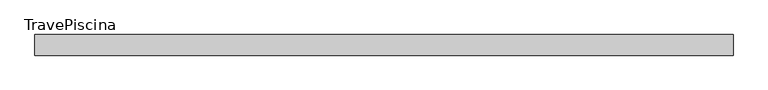
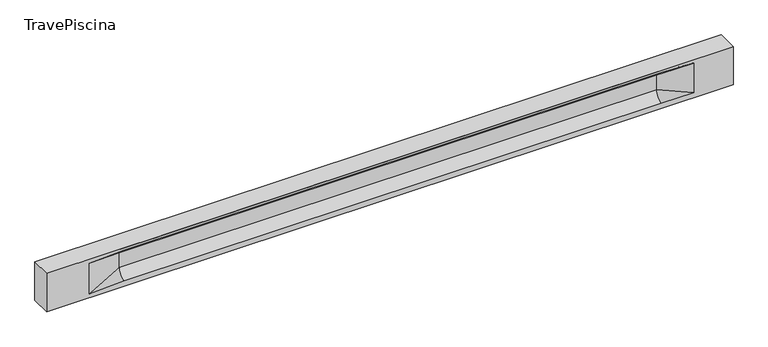
"""IFC4 building model written with IfcOpenShell, lengths in millimetres: beam geometry, TravePiscina."""

from ifc_helpers import new_model, si_unit, frame, origin, place, context, project, spatial, polyline, circle_curve, source, transform, mapped, element, save
from ifc_brep_helpers import plane_surface, revolved_surface, spline_surface, advanced_brep


def travepiscina_2c1209f1(model_context):
    return source(origin(), model_context, "Body", "AdvancedBrep", [
        advanced_brep(
        [(8464.0, -250.0, 500.0), (8464.0, -250.0, -500.0), (8464.0, 250.0, -500.0), (8464.0, 250.0, 500.0), (-8464.0, -250.0, 500.0), (-8464.0, -250.0, -500.0), (7489.0, -250.0, -362.0), (6689.0, -250.0, -360.0), (-6564.0, -250.0, -360.0), (-7414.0, -250.0, -400.0), (-7414.0, -250.0, 400.0), (-6564.0, -250.0, 435.0), (6689.0, -250.0, 435.0), (7489.0, -250.0, 400.0), (-8464.0, 250.0, -500.0), (-8464.0, 250.0, 500.0), (7489.0, 250.0, 400.0), (6689.0, 250.0, 435.0), (-6564.0, 250.0, 435.0), (-7414.0, 250.0, 400.0), (-7414.0, 250.0, -400.0), (-6564.0, 250.0, -360.0), (6689.0, 250.0, -360.0), (7489.0, 250.0, -362.0), (6689.0, 155.0, 405.0), (-6564.0, 155.0, 405.0), (-6564.0, -60.0, 262.777021), (6689.0, -60.0, 262.777021), (6689.0, -155.0, 405.0), (-6564.0, -155.0, 405.0), (-6564.0, 60.0, 262.777021), (6689.0, 60.0, 262.777021), (6689.0, 60.0, -120.0), (-6564.0, 60.0, -120.0), (-6564.0, -60.0, -120.0), (6689.0, -60.0, -120.0)],
        [
            (0, 1),
            (1, 2),
            (2, 3),
            (3, 0),
            (0, 4),
            (4, 5),
            (5, 1),
            (6, 7),
            (7, 8),
            (8, 9),
            (9, 10),
            (10, 11),
            (11, 12),
            (12, 13),
            (13, 6),
            (5, 14),
            (14, 2),
            (14, 15),
            (15, 3),
            (16, 17),
            (17, 18),
            (18, 19),
            (19, 20),
            (20, 21),
            (21, 22),
            (22, 23),
            (23, 16),
            (15, 4),
            (17, 24),
            (24, 25),
            (25, 18),
            (26, 27),
            (27, 28, circle_curve(frame((6689.0, -213.9598725, 262.777021), z_axis=(1.0, 0.0, 0.0), x_axis=(0.0, 1.0, 0.0)), 153.9598725)),
            (28, 29),
            (29, 26, circle_curve(frame((-6564.0, -213.9598725, 262.777021), z_axis=(-1.0, 0.0, 0.0), x_axis=(0.0, 1.0, 0.0)), 153.9598725)),
            (30, 31),
            (31, 32),
            (32, 33),
            (33, 30),
            (28, 12),
            (11, 29),
            (34, 35),
            (35, 27),
            (26, 34),
            (25, 19),
            (22, 32, circle_curve(frame((6689.0, 306.5789474, -120.0), z_axis=(-1.0, 0.0, 0.0), x_axis=(0.0, 1.0, 0.0)), 246.5789474)),
            (32, 23),
            (10, 29),
            (10, 26),
            (13, 28),
            (27, 13),
            (30, 19),
            (25, 30, circle_curve(frame((-6564.0, 213.9598725, 262.777021), z_axis=(1.0, 0.0, 0.0), x_axis=(0.0, 1.0, 0.0)), 153.9598725)),
            (9, 34),
            (8, 34, circle_curve(frame((-6564.0, -306.5789474, -120.0), z_axis=(1.0, 0.0, 0.0), x_axis=(0.0, 1.0, 0.0)), 246.5789474)),
            (20, 33),
            (33, 21, circle_curve(frame((-6564.0, 306.5789474, -120.0), z_axis=(1.0, 0.0, 0.0), x_axis=(0.0, 1.0, 0.0)), 246.5789474)),
            (35, 6),
            (35, 7, circle_curve(frame((6689.0, -306.5789474, -120.0), z_axis=(-1.0, 0.0, 0.0), x_axis=(0.0, 1.0, 0.0)), 246.5789474)),
            (31, 16),
            (31, 24, circle_curve(frame((6689.0, 213.9598725, 262.777021), z_axis=(-1.0, 0.0, 0.0), x_axis=(0.0, 1.0, 0.0)), 153.9598725)),
            (24, 16),
        ],
        [
            plane_surface(frame((8464.0, 0.0, 0.0), z_axis=(1.0, 0.0, 0.0), x_axis=(0.0, 0.0, 1.0))),
            plane_surface(frame((8464.0, -250.0, 500.0), z_axis=(0.0, -1.0, 0.0), x_axis=(-1.0, 0.0, 0.0))),
            plane_surface(frame((8464.0, -250.0, -500.0), z_axis=(0.0, 0.0, -1.0), x_axis=(-1.0, 0.0, 0.0))),
            plane_surface(frame((8464.0, 250.0, -500.0), z_axis=(0.0, 1.0, 0.0), x_axis=(-1.0, 0.0, 0.0))),
            plane_surface(frame((8464.0, 250.0, 500.0), z_axis=(0.0, 0.0, 1.0), x_axis=(-1.0, 0.0, 0.0))),
            plane_surface(frame((-6564.0, 250.0, 435.0), z_axis=(0.0, 0.30113136793710954, -0.9535826651341378), x_axis=(1.0, 0.0, 0.0))),
            plane_surface(frame((-8464.0, 0.0, 0.0), z_axis=(-1.0, 0.0, 0.0), x_axis=(0.0, 0.0, 1.0))),
            revolved_surface(polyline([(6689.0, -60.0, 262.777021), (-6564.0, -60.0, 262.777021)]), (-6564.0, -213.9598725, 262.777021), (1.0, 0.0, 0.0)),
            plane_surface(frame((-6564.0, 60.0, 262.777021), z_axis=(0.0, 1.0, 0.0), x_axis=(1.0, 0.0, 0.0))),
            plane_surface(frame((-6564.0, -155.0, 405.0), z_axis=(0.0, -0.30113136793710693, -0.9535826651341387), x_axis=(1.0, 0.0, 0.0))),
            plane_surface(frame((-6564.0, -60.0, -120.0), z_axis=(0.0, -1.0, 0.0), x_axis=(1.0, 0.0, 0.0))),
            plane_surface(frame((-7414.0, 250.0, 400.0), z_axis=(0.03923493491469425, 0.30089950084952793, -0.9528484193567961), x_axis=(0.0, 0.9535826651341378, 0.30113136793710954))),
            spline_surface(2, 1, [[(6689.0, 250.0, -360.0), (7489.0, 250.0, -362.0)], [(6689.0, 60.00000002887427, -315.20833329480604), (7489.0, 250.0, -362.0)], [(6689.0, 60.0, -120.0), (7489.0, 250.0, -362.0)]], [3, 3], [2, 2], [0.0, 1.0], [0.0, 1.0], weights=[[1.0, 1.0], [0.7840458245391329, 0.7840458245391329], [1.0, 1.0]]),
            plane_surface(frame((-7414.0, -250.0, 400.0), z_axis=(0.03923493491469428, -0.3008995008495253, -0.952848419356797), x_axis=(0.0, 0.9535826651341387, -0.30113136793710693))),
            spline_surface(2, 1, [[(-7414.0, -250.0, 400.0), (-6564.0, -155.0, 405.0)], [(-7414.0, -250.0, 400.0), (-6564.0, -60.00000008030692, 365.6168572114734)], [(-7414.0, -250.0, 400.0), (-6564.0, -60.0, 262.777021)]], [3, 3], [2, 2], [0.0, 1.0], [0.0, 1.0], weights=[[1.0, 1.0], [0.8315515924557569, 0.8315515924557569], [1.0, 1.0]]),
            spline_surface(2, 1, [[(6689.0, -155.0, 405.0), (7489.0, -250.0, 400.0)], [(6689.0, -60.00000008030692, 365.6168572114734), (7489.0, -250.0, 400.0)], [(6689.0, -60.0, 262.777021), (7489.0, -250.0, 400.0)]], [3, 3], [2, 2], [0.0, 1.0], [0.0, 1.0], weights=[[1.0, 1.0], [0.8315515924557569, 0.8315515924557569], [1.0, 1.0]]),
            plane_surface(frame((6689.0, -202.5, 420.0), z_axis=(-0.04168298285568757, -0.30086965068766125, -0.9527538938442274), x_axis=(0.0, 0.9535826651341387, -0.30113136793710693))),
            spline_surface(2, 1, [[(-7414.0, 250.0, 400.0), (-6564.0, 60.0, 262.777021)], [(-7414.0, 250.0, 400.0), (-6564.0, 59.99999995452379, 365.6168572954922)], [(-7414.0, 250.0, 400.0), (-6564.0, 155.0, 405.0)]], [3, 3], [2, 2], [0.0, 1.0], [0.0, 1.0], weights=[[1.0, 1.0], [0.8315515921160737, 0.8315515921160737], [1.0, 1.0]]),
            plane_surface(frame((-7414.0, -250.0, 0.0), z_axis=(0.21814596370705175, -0.9759161534262673, 0.0), x_axis=(0.0, 0.0, -1.0))),
            spline_surface(2, 1, [[(-7414.0, -250.0, -400.0), (-6564.0, -60.0, -120.0)], [(-7414.0, -250.0, -400.0), (-6564.0, -59.99999998020837, -315.20833333333337)], [(-7414.0, -250.0, -400.0), (-6564.0, -250.0, -360.0)]], [3, 3], [2, 2], [0.0, 1.0], [0.0, 1.0], weights=[[1.0, 1.0], [0.7840458244617614, 0.7840458244617614], [1.0, 1.0]]),
            spline_surface(2, 1, [[(-7414.0, 250.0, -400.0), (-6564.0, 250.0, -360.0)], [(-7414.0, 250.0, -400.0), (-6564.0, 60.00000002887427, -315.20833329480604)], [(-7414.0, 250.0, -400.0), (-6564.0, 60.0, -120.0)]], [3, 3], [2, 2], [0.0, 1.0], [0.0, 1.0], weights=[[1.0, 1.0], [0.7840458245391329, 0.7840458245391329], [1.0, 1.0]]),
            plane_surface(frame((-7414.0, 250.0, 0.0), z_axis=(0.2181459637070477, 0.9759161534262683, 0.0), x_axis=(0.0, 0.0, 1.0))),
            plane_surface(frame((6689.0, -60.0, 71.3885105), z_axis=(-0.23107243079589793, -0.9729365507195601, 0.0), x_axis=(0.0, 0.0, -1.0))),
            spline_surface(2, 1, [[(6689.0, -60.0, -120.0), (7489.0, -250.0, -362.0)], [(6689.0, -59.99999998020837, -315.20833333333337), (7489.0, -250.0, -362.0)], [(6689.0, -250.0, -360.0), (7489.0, -250.0, -362.0)]], [3, 3], [2, 2], [0.0, 1.0], [0.0, 1.0], weights=[[1.0, 1.0], [0.7840458244617614, 0.7840458244617614], [1.0, 1.0]]),
            plane_surface(frame((6689.0, 60.0, 71.3885105), z_axis=(-0.2310724307958915, 0.9729365507195615, 0.0), x_axis=(0.0, 0.0, 1.0))),
            spline_surface(2, 1, [[(6689.0, 60.0, 262.777021), (7489.0, 250.0, 400.0)], [(6689.0, 59.99999995452379, 365.6168572954922), (7489.0, 250.0, 400.0)], [(6689.0, 155.0, 405.0), (7489.0, 250.0, 400.0)]], [3, 3], [2, 2], [0.0, 1.0], [0.0, 1.0], weights=[[1.0, 1.0], [0.8315515921160737, 0.8315515921160737], [1.0, 1.0]]),
            plane_surface(frame((6689.0, 202.5, 420.0), z_axis=(-0.041682982855686834, 0.30086965068766386, -0.9527538938442265), x_axis=(0.0, 0.9535826651341378, 0.30113136793710954))),
            revolved_surface(polyline([(6689.0, 367.919745, 262.777021), (-6564.0, 367.919745, 262.777021)]), (-6564.0, 213.9598725, 262.777021), (1.0, 0.0, 0.0)),
            revolved_surface(polyline([(6689.0, 553.1578948, -120.0), (-6564.0, 553.1578948, -120.0)]), (-6564.0, 306.5789474, -120.0), (1.0, 0.0, 0.0)),
            revolved_surface(polyline([(6689.0, -60.0, -120.0), (-6564.0, -60.0, -120.0)]), (-6564.0, -306.5789474, -120.0), (1.0, 0.0, 0.0)),
        ],
        [
            (0, [[1, 2, 3, 4]]),
            (1, [[-1, 5, 6, 7], [8, 9, 10, 11, 12, 13, 14, 15]]),
            (2, [[-2, -7, 16, 17]]),
            (3, [[-3, -17, 18, 19], [20, 21, 22, 23, 24, 25, 26, 27]]),
            (4, [[-5, -4, -19, 28]]),
            (5, [[-21, 29, 30, 31]]),
            (6, [[-28, -18, -16, -6]]),
            (7, [[32, 33, 34, 35]]),
            (8, [[36, 37, 38, 39]]),
            (9, [[-34, 40, -13, 41]]),
            (10, [[42, 43, -32, 44]]),
            (11, [[45, -22, -31]]),
            (12, [[-26, 46, 47]]),
            (13, [[-12, 48, -41]]),
            (14, [[-48, 49, -35]]),
            (15, [[50, -33, 51]]),
            (16, [[-14, -40, -50]]),
            (17, [[52, -45, 53]]),
            (18, [[-49, -11, 54, -44]]),
            (19, [[-54, -10, 55]]),
            (20, [[-24, 56, 57]]),
            (21, [[-52, -39, -56, -23]]),
            (22, [[-51, -43, 58, -15]]),
            (23, [[-58, 59, -8]]),
            (24, [[-47, -37, 60, -27]]),
            (25, [[-60, 61, 62]]),
            (26, [[-62, -29, -20]]),
            (27, [[-30, -61, -36, -53]]),
            (28, [[-38, -46, -25, -57]]),
            (29, [[-9, -59, -42, -55]]),
        ],
    ),
    ])


if __name__ == "__main__":
    model = new_model("IFC4")
    model_context = context("Model", 3, world=origin())
    ifc_project = project(units=[si_unit("LENGTHUNIT", "METRE", prefix="MILLI")], contexts=[model_context])
    site = spatial("IfcSite", under=ifc_project)
    building = spatial("IfcBuilding", under=site)
    placement = place(None, origin())
    travepiscina_shape = travepiscina_2c1209f1(model_context)
    element("IfcBeam", 1, ObjectType="TravePiscina", at=placement, inside=building, context=model_context, shape_type="MappedRepresentation", body=[
        mapped(travepiscina_shape, transform((0.0, 0.0, 0.0), x_axis=(1.0, 0.0, 0.0), y_axis=(0.0, 1.0, 0.0), z_axis=(0.0, 0.0, 1.0))),
    ])
    save(model, "model.ifc")
